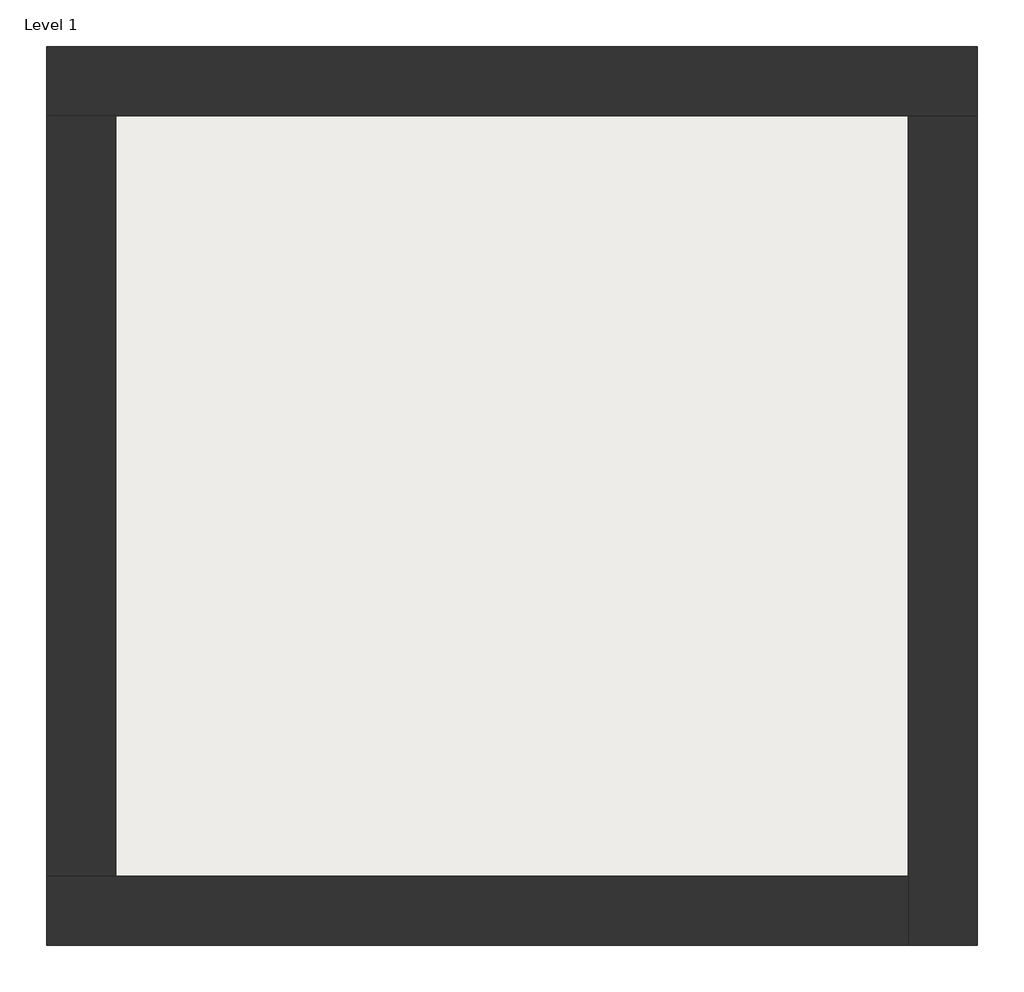
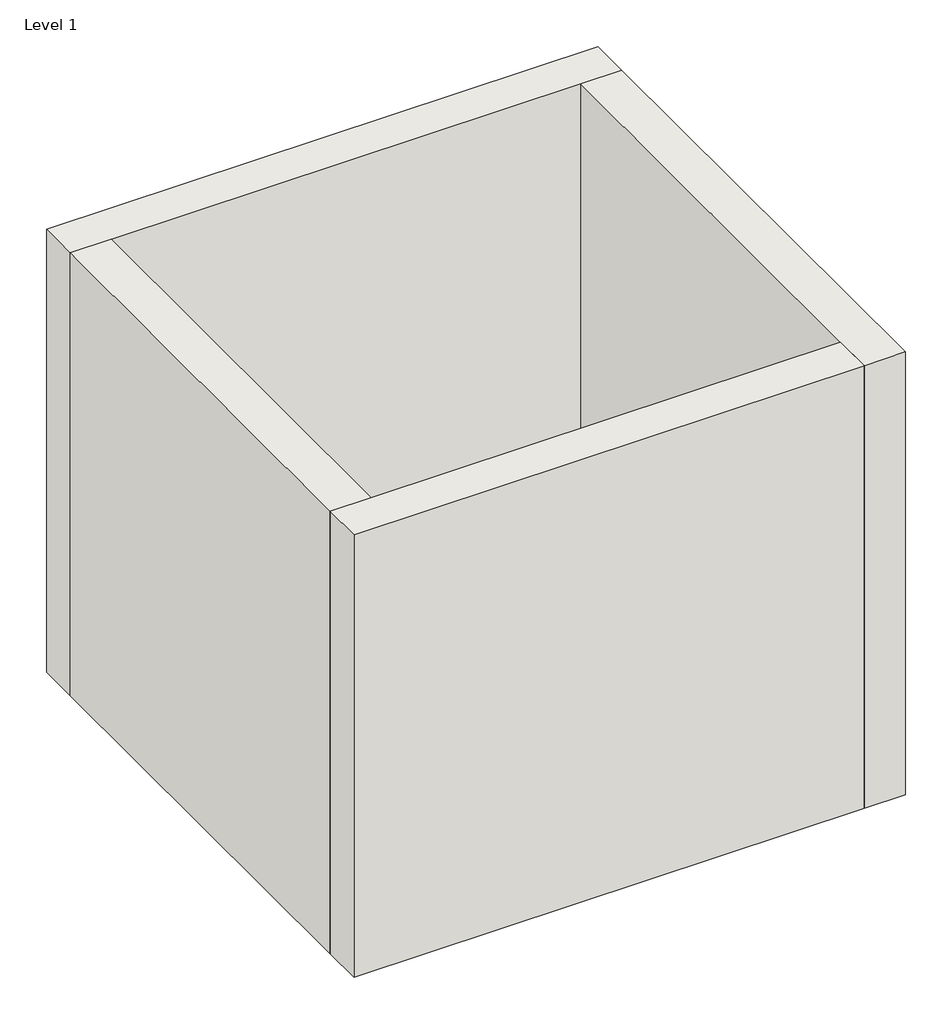
# One storey: 4 walls, 1 slab.
"""IFC4 building model written with IfcOpenShell, lengths in millimetres."""

from ifc_helpers import new_model, si_unit, frame, origin, origin_with_axes, place, context, project, spatial, polyline, outline, extrude, faceted_brep, element, save

model = new_model("IFC4")

# Units and contexts
model_context = context("Model", 3, world=origin())
ifc_project = project(units=[si_unit("LENGTHUNIT", "METRE", prefix="MILLI")], contexts=[model_context])

# Site, building, storey
site = spatial("IfcSite", under=ifc_project)
building = spatial("IfcBuilding", under=site)
storey = spatial("IfcBuildingStorey", under=building, Name="Level 1", Elevation=0.0)

# Slab
placement = place(None, origin())
element("IfcSlab", 1, at=placement, inside=storey, context=model_context, shape_type="SweptSolid", body=[
    extrude(outline(polyline([(-10869.3573003, 6934.2750283), (-10869.3573003, 3058.2750283), (-14907.8573003, 3058.2750283), (-14907.8573003, 6934.2750283), (-10869.3573003, 6934.2750283)])), frame((0.0, 0.0, -4.7), z_axis=(0.0, 0.0, 1.0), x_axis=(1.0, 0.0, 0.0)), (0.0, 0.0, 1.0), 404.7),
])

# Walls
element("IfcWall", 2, ObjectType="Exterior - Brick on Mtl. Stud", at=placement, inside=storey, context=model_context, shape_type="Brep", body=[
    faceted_brep([(-15244.8573003, 6921.2750283, 0.0), (-14894.8573003, 6921.2750283, 0.0), (-10882.3573003, 6921.2750283, 0.0), (-10532.3573003, 6921.2750283, 0.0), (-10532.3573003, 6921.2750283, 4000.0), (-10882.3573003, 6921.2750283, 4000.0), (-14894.8573003, 6921.2750283, 4000.0), (-15244.8573003, 6921.2750283, 4000.0), (-15244.8573003, 7271.2750283, 0.0), (-15244.8573003, 7271.2750283, 4000.0), (-10532.3573003, 7271.2750283, 4000.0), (-10532.3573003, 7271.2750283, 0.0)], [[[0, 1, 2, 3, 4, 5, 6, 7]], [[8, 9, 10, 11]], [[3, 2, 1, 0, 8, 11]], [[7, 6, 5, 4, 10, 9]], [[0, 7, 9, 8]], [[4, 3, 11, 10]]]),
])
element("IfcWall", 3, ObjectType="Exterior - Brick on Mtl. Stud", at=placement, inside=storey, context=model_context, shape_type="Brep", body=[
    faceted_brep([(-10882.3573003, 6921.2750283, 0.0), (-10882.3573003, 3071.2750283, 0.0), (-10882.3573003, 2721.2750283, 0.0), (-10882.3573003, 2721.2750283, 4000.0), (-10882.3573003, 3071.2750283, 4000.0), (-10882.3573003, 6921.2750283, 4000.0), (-10532.3573003, 6921.2750283, 0.0), (-10532.3573003, 6921.2750283, 4000.0), (-10532.3573003, 2721.2750283, 4000.0), (-10532.3573003, 2721.2750283, 0.0)], [[[0, 1, 2, 3, 4, 5]], [[6, 7, 8, 9]], [[2, 1, 0, 6, 9]], [[5, 4, 3, 8, 7]], [[3, 2, 9, 8]], [[0, 5, 7, 6]]]),
])
element("IfcWall", 4, ObjectType="Exterior - Brick on Mtl. Stud", at=placement, inside=storey, context=model_context, shape_type="Brep", body=[
    faceted_brep([(-10882.3573003, 3071.2750283, 0.0), (-14894.8573003, 3071.2750283, 0.0), (-15244.8573003, 3071.2750283, 0.0), (-15244.8573003, 3071.2750283, 4000.0), (-14894.8573003, 3071.2750283, 4000.0), (-10882.3573003, 3071.2750283, 4000.0), (-10882.3573003, 2721.2750283, 0.0), (-10882.3573003, 2721.2750283, 4000.0), (-15244.8573003, 2721.2750283, 4000.0), (-15244.8573003, 2721.2750283, 0.0)], [[[0, 1, 2, 3, 4, 5]], [[6, 7, 8, 9]], [[2, 1, 0, 6, 9]], [[5, 4, 3, 8, 7]], [[3, 2, 9, 8]], [[0, 5, 7, 6]]]),
])
element("IfcWall", 5, ObjectType="Exterior - Brick on Mtl. Stud", at=placement, inside=storey, context=model_context, shape_type="SweptSolid", body=[
    extrude(outline(polyline([(-14894.8573003, 6921.2750283), (-14894.8573003, 3071.2750283), (-15244.8573003, 3071.2750283), (-15244.8573003, 6921.2750283), (-14894.8573003, 6921.2750283)])), origin_with_axes(), (0.0, 0.0, 1.0), 4000.0),
])

save(model, "model.ifc")
